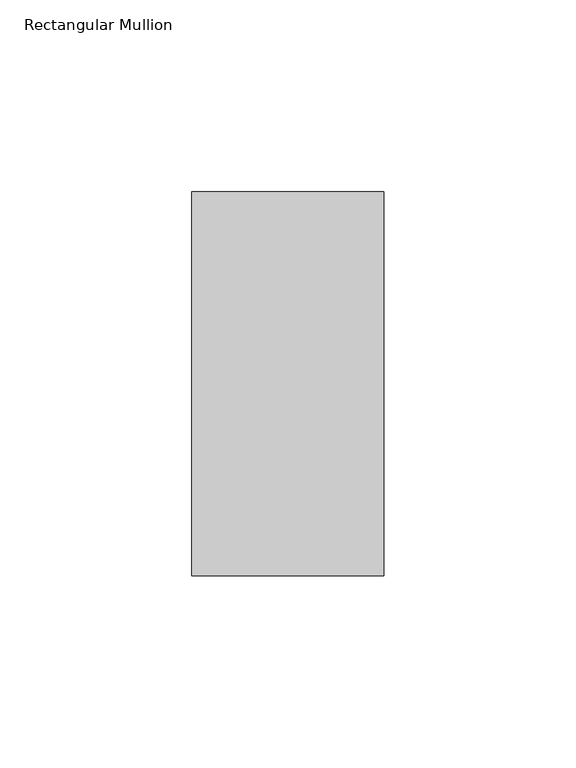
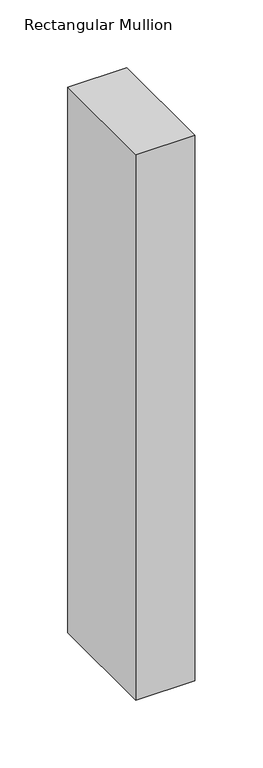
"""IFC4 building model written with IfcOpenShell, lengths in millimetres: member geometry, Rectangular Mullion."""

from ifc_helpers import new_model, si_unit, frame, origin, place, context, project, spatial, polyline, outline, extrude, source, transform, mapped, element, save


def rectangular_mullion_fdd9f707(model_context):
    return source(origin(), model_context, "Body", "SweptSolid", [
        extrude(outline(polyline([(0.0, 31.0), (0.0, -69.0), (-50.0, -69.0), (-50.0, 31.0), (0.0, 31.0)])), frame((0.0, 0.0, -490.0), z_axis=(0.0, 0.0, 1.0), x_axis=(1.0, 0.0, 0.0)), (0.0, 0.0, 1.0), 490.0),
    ])


if __name__ == "__main__":
    model = new_model("IFC4")
    model_context = context("Model", 3, world=origin())
    ifc_project = project(units=[si_unit("LENGTHUNIT", "METRE", prefix="MILLI")], contexts=[model_context])
    site = spatial("IfcSite", under=ifc_project)
    building = spatial("IfcBuilding", under=site)
    placement = place(None, origin())
    rectangular_mullion_shape = rectangular_mullion_fdd9f707(model_context)
    element("IfcMember", 1, ObjectType="Rectangular Mullion", at=placement, inside=building, context=model_context, shape_type="MappedRepresentation", body=[
        mapped(rectangular_mullion_shape, transform((0.0, 0.0, 0.0), x_axis=(1.0, 0.0, 0.0), y_axis=(0.0, 1.0, 0.0), z_axis=(0.0, 0.0, 1.0))),
    ])
    save(model, "model.ifc")
